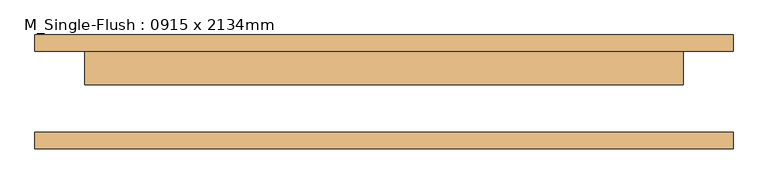
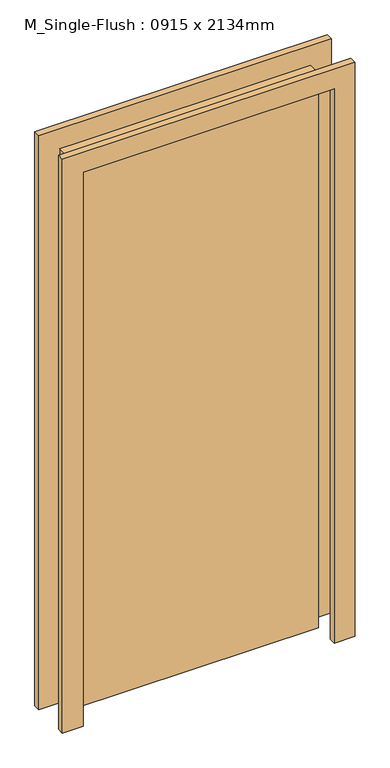
"""IFC4 building model written with IfcOpenShell, lengths in millimetres: door geometry, M_Single-Flush : 0915 x 2134mm."""

from ifc_helpers import new_model, si_unit, frame, origin, origin_with_axes, place, context, project, spatial, polyline, outline, extrude, source, transform, mapped, element, save


def m_single_flush_0915_x_2134mm_d59d34e6(model_context):
    return source(origin(), model_context, "Body", "SweptSolid", [
        extrude(outline(polyline([(2210.0, -533.5), (0.0, -533.5), (0.0, -457.5), (2134.0, -457.5), (2134.0, 457.5), (0.0, 457.5), (0.0, 533.5), (2210.0, 533.5), (2210.0, -533.5)])), frame((0.0, 62.0, 0.0), z_axis=(0.0, 1.0, 0.0), x_axis=(0.0, 0.0, 1.0)), (0.0, 0.0, 1.0), 25.0),
        extrude(outline(polyline([(2210.0, 533.5), (2210.0, -533.5), (0.0, -533.5), (0.0, -457.5), (2134.0, -457.5), (2134.0, 457.5), (0.0, 457.5), (0.0, 533.5), (2210.0, 533.5)])), frame((0.0, -87.0, 0.0), z_axis=(0.0, 1.0, 0.0), x_axis=(0.0, 0.0, 1.0)), (0.0, 0.0, 1.0), 25.0),
        extrude(outline(polyline([(457.5, 11.0), (-457.5, 11.0), (-457.5, 62.0), (457.5, 62.0), (457.5, 11.0)])), origin_with_axes(), (0.0, 0.0, 1.0), 2134.0),
    ])


if __name__ == "__main__":
    model = new_model("IFC4")
    model_context = context("Model", 3, world=origin())
    ifc_project = project(units=[si_unit("LENGTHUNIT", "METRE", prefix="MILLI")], contexts=[model_context])
    site = spatial("IfcSite", under=ifc_project)
    building = spatial("IfcBuilding", under=site)
    placement = place(None, origin())
    m_single_flush_0915_x_2134mm_shape = m_single_flush_0915_x_2134mm_d59d34e6(model_context)
    element("IfcDoor", 1, ObjectType="M_Single-Flush : 0915 x 2134mm", at=placement, inside=building, context=model_context, shape_type="MappedRepresentation", body=[
        mapped(m_single_flush_0915_x_2134mm_shape, transform((0.0, 0.0, 0.0), x_axis=(1.0, 0.0, 0.0), y_axis=(0.0, 1.0, 0.0), z_axis=(0.0, 0.0, 1.0))),
    ])
    save(model, "model.ifc")
